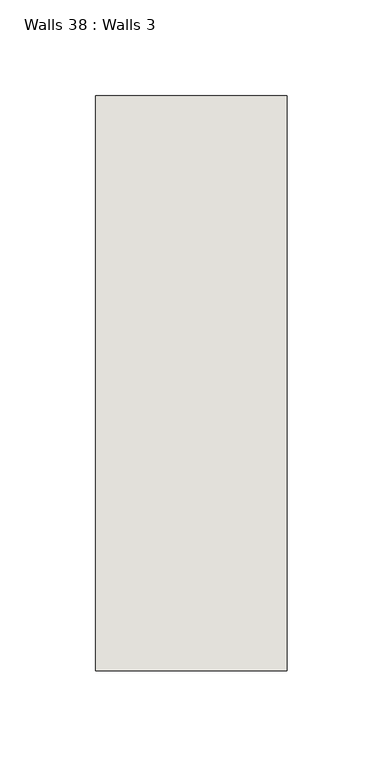
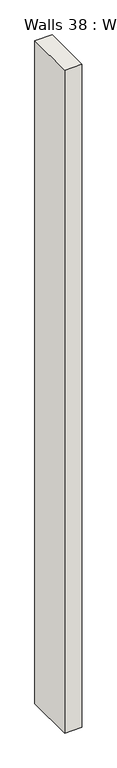
"""IFC4 building model written with IfcOpenShell, lengths in millimetres: wall geometry, Walls 38 : Walls 3."""

from ifc_helpers import new_model, si_unit, origin, origin_with_axes, place, context, project, spatial, polyline, outline, extrude, source, transform, mapped, element, save


def walls_38_walls_3_3d6c1d75(model_context):
    return source(origin(), model_context, "Body", "SweptSolid", [
        extrude(outline(polyline([(-1612.3812655, 1518.41264), (-1612.3812655, 1818.41264), (-1512.3812655, 1818.41264), (-1512.3812655, 1518.41264), (-1612.3812655, 1518.41264)])), origin_with_axes(), (0.0, 0.0, 1.0), 4085.1192828),
    ])


if __name__ == "__main__":
    model = new_model("IFC4")
    model_context = context("Model", 3, world=origin())
    ifc_project = project(units=[si_unit("LENGTHUNIT", "METRE", prefix="MILLI")], contexts=[model_context])
    site = spatial("IfcSite", under=ifc_project)
    building = spatial("IfcBuilding", under=site)
    placement = place(None, origin())
    walls_38_walls_3_shape = walls_38_walls_3_3d6c1d75(model_context)
    element("IfcWall", 1, ObjectType="Walls 38 : Walls 3", at=placement, inside=building, context=model_context, shape_type="MappedRepresentation", body=[
        mapped(walls_38_walls_3_shape, transform((0.0, 0.0, 0.0), x_axis=(1.0, 0.0, 0.0), y_axis=(0.0, 1.0, 0.0), z_axis=(0.0, 0.0, 1.0))),
    ])
    save(model, "model.ifc")
